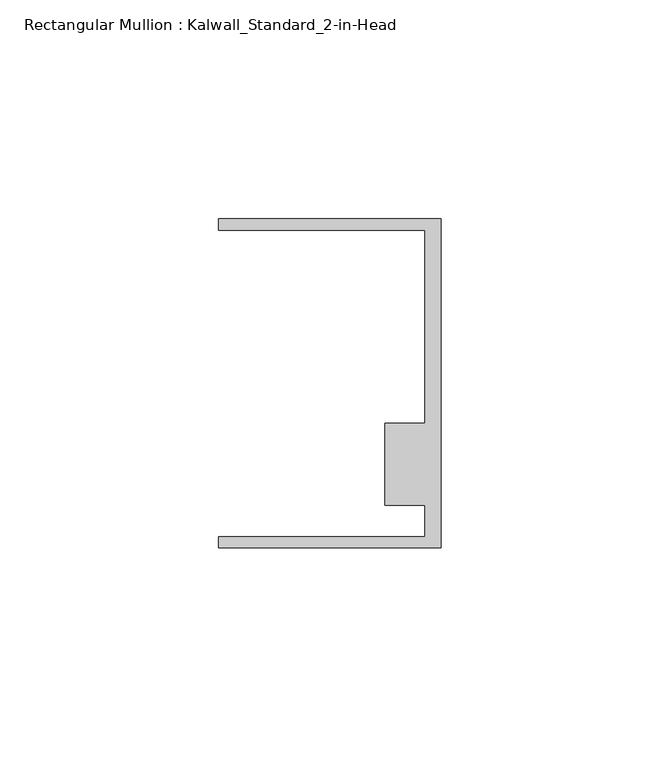
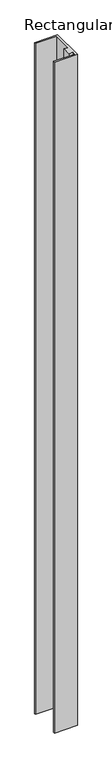
"""IFC4 building model written with IfcOpenShell, lengths in millimetres: member geometry, Rectangular Mullion : Kalwall_Standard_2-in-Head."""

from ifc_helpers import new_model, si_unit, frame, origin, place, context, project, spatial, polyline, outline, extrude, source, transform, mapped, element, save


def rectangular_mullion_kalwall_standard_2_in_head_9213db39(model_context):
    return source(origin(), model_context, "Body", "SweptSolid", [
        extrude(outline(polyline([(0.0, -37.5776386), (-50.8, -37.5776386), (-50.8, -35.0376386), (-3.7084, -35.0376386), (-3.7084, -27.8888568), (-12.8272539, -27.8888568), (-12.8272539, -9.1879886), (-3.7084, -9.1879886), (-3.7084, 34.9623614), (-50.8, 34.9623614), (-50.8, 37.5023614), (0.0, 37.5023614), (0.0, -37.5776386)])), frame((0.0, 0.0, -1565.5528), z_axis=(0.0, 0.0, 1.0), x_axis=(1.0, 0.0, 0.0)), (0.0, 0.0, 1.0), 1565.5528),
    ])


if __name__ == "__main__":
    model = new_model("IFC4")
    model_context = context("Model", 3, world=origin())
    ifc_project = project(units=[si_unit("LENGTHUNIT", "METRE", prefix="MILLI")], contexts=[model_context])
    site = spatial("IfcSite", under=ifc_project)
    building = spatial("IfcBuilding", under=site)
    placement = place(None, origin())
    rectangular_mullion_kalwall_standard_2_in_head_shape = rectangular_mullion_kalwall_standard_2_in_head_9213db39(model_context)
    element("IfcMember", 1, ObjectType="Rectangular Mullion : Kalwall_Standard_2-in-Head", at=placement, inside=building, context=model_context, shape_type="MappedRepresentation", body=[
        mapped(rectangular_mullion_kalwall_standard_2_in_head_shape, transform((0.0, 0.0, 0.0), x_axis=(1.0, 0.0, 0.0), y_axis=(0.0, 1.0, 0.0), z_axis=(0.0, 0.0, 1.0))),
    ])
    save(model, "model.ifc")
